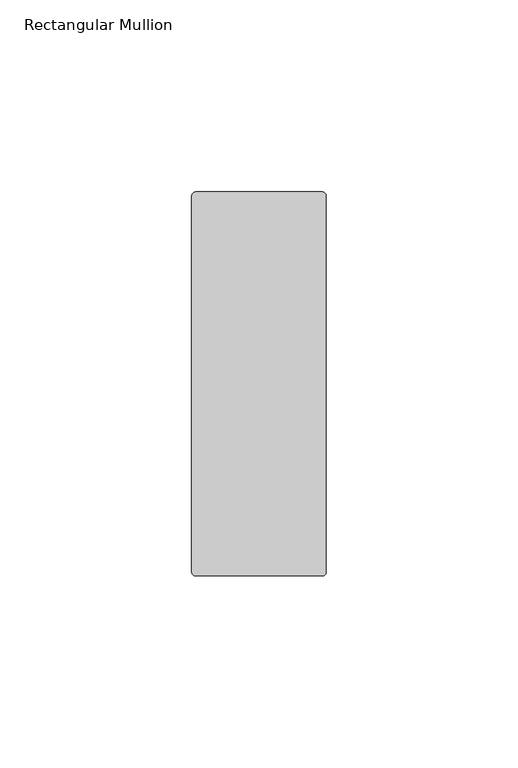
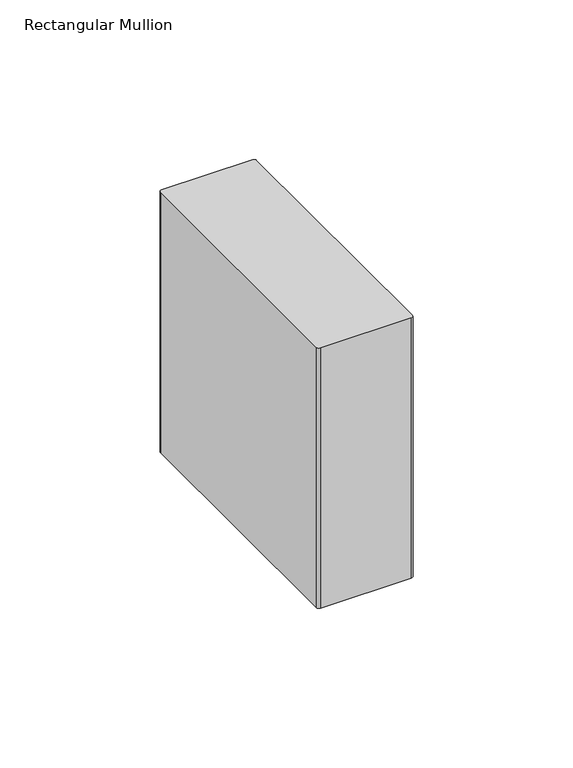
"""IFC4 building model written with IfcOpenShell, lengths in millimetres: member geometry, Rectangular Mullion."""

from ifc_helpers import new_model, si_unit, point, frame, frame_2d, origin, place, context, project, spatial, polyline, circle_curve, trimmed, segment, composite_curve, outline, extrude, source, transform, mapped, element, save


def rectangular_mullion_abf96ea6(model_context):
    return source(origin(), model_context, "Body", "SweptSolid", [
        extrude(outline(composite_curve([segment(trimmed(circle_curve(frame_2d((16.5, -7.75)), 1.0), [point((16.5, -6.75))], [point((17.5, -7.75))], False, "CARTESIAN"), True, "CONTINUOUS"), segment(polyline([(17.5, -7.75), (17.5, -105.75)]), True, "CONTINUOUS"), segment(trimmed(circle_curve(frame_2d((16.5, -105.75)), 1.0), [point((17.5, -105.75))], [point((16.5, -106.75))], False, "CARTESIAN"), True, "CONTINUOUS"), segment(polyline([(16.5, -106.75), (-16.5, -106.75)]), True, "CONTINUOUS"), segment(trimmed(circle_curve(frame_2d((-16.5, -105.75)), 1.0), [point((-16.5, -106.75))], [point((-17.5, -105.75))], False, "CARTESIAN"), True, "CONTINUOUS"), segment(polyline([(-17.5, -105.75), (-17.5, -7.75)]), True, "CONTINUOUS"), segment(trimmed(circle_curve(frame_2d((-16.5, -7.75)), 1.0), [point((-17.5, -7.75))], [point((-16.5, -6.75))], False, "CARTESIAN"), True, "CONTINUOUS"), segment(polyline([(-16.5, -6.75), (16.5, -6.75)]), True, "CONTINUOUS")], self_intersect=False)), frame((0.0, 0.0, -100.0), z_axis=(0.0, 0.0, 1.0), x_axis=(1.0, 0.0, 0.0)), (0.0, 0.0, 1.0), 100.0),
    ])


if __name__ == "__main__":
    model = new_model("IFC4")
    model_context = context("Model", 3, world=origin())
    ifc_project = project(units=[si_unit("LENGTHUNIT", "METRE", prefix="MILLI")], contexts=[model_context])
    site = spatial("IfcSite", under=ifc_project)
    building = spatial("IfcBuilding", under=site)
    placement = place(None, origin())
    rectangular_mullion_shape = rectangular_mullion_abf96ea6(model_context)
    element("IfcMember", 1, ObjectType="Rectangular Mullion", at=placement, inside=building, context=model_context, shape_type="MappedRepresentation", body=[
        mapped(rectangular_mullion_shape, transform((0.0, 0.0, 0.0), x_axis=(1.0, 0.0, 0.0), y_axis=(0.0, 1.0, 0.0), z_axis=(0.0, 0.0, 1.0))),
    ])
    save(model, "model.ifc")
